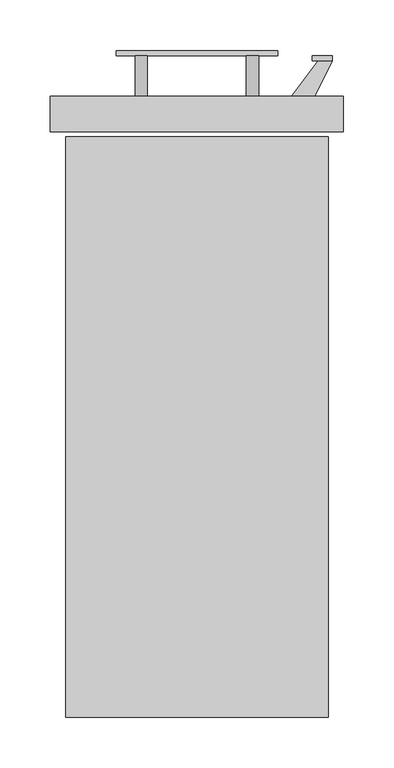
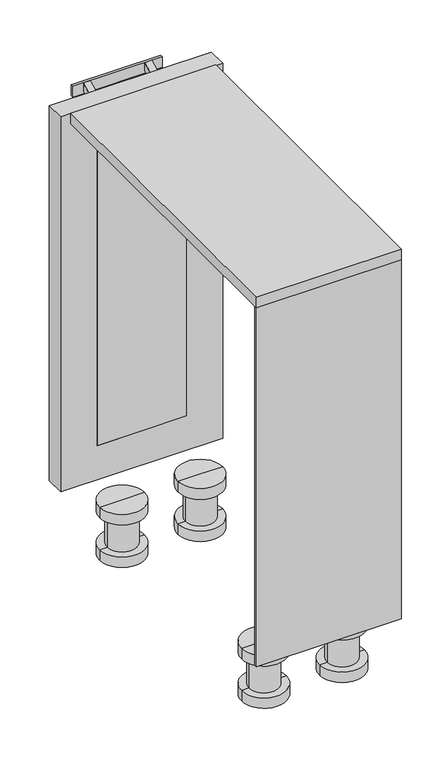
"""IFC4 building model written with IfcOpenShell, lengths in millimetres: furniture geometry."""

import ifcopenshell
import ifcopenshell.guid

model = None  # the IFC model being written
_history = None  # IfcOwnerHistory: only IFC2X3 demands one
_inside = {}  # id of a spatial element -> (the spatial element, [elements in it])
_under = {}  # id of a project, library or spatial element -> (it, [spatial elements below it])
_declared = {}  # id of a project -> (the project, [libraries it declares])
_typed = {}  # id of a type object -> (the type object, [elements of that type])
_made_of = {}  # id of a material, layer set ... -> (it, [elements and type objects made of it])


def new_model(schema):
    """Start an empty IFC model of exactly this schema.

    Asked for "IFC4X3", IfcOpenShell would pick the latest addendum, in which some entities
    have other attributes; the version numbers below select the first issue.
    IFC2X3 requires an IfcOwnerHistory on every rooted entity: one is made here for all.
    """
    global model, _history
    if schema == "IFC4X3":
        model = ifcopenshell.file(schema_version=(4, 3, 0, 0))
    else:
        model = ifcopenshell.file(schema=schema)
    _inside.clear()
    _under.clear()
    _declared.clear()
    _typed.clear()
    _made_of.clear()
    _history = None
    if model.schema == "IFC2X3":
        org = make("IfcOrganization", Name="unknown")
        user = make(
            "IfcPersonAndOrganization",
            ThePerson=make("IfcPerson", FamilyName="unknown"),
            TheOrganization=org,
        )
        app = make(
            "IfcApplication",
            ApplicationDeveloper=org,
            Version="unknown",
            ApplicationFullName="unknown",
            ApplicationIdentifier="unknown",
        )
        _history = make(
            "IfcOwnerHistory",
            OwningUser=user,
            OwningApplication=app,
            ChangeAction="ADDED",
            CreationDate=0,
        )
    return model


def make(cls, **values):
    """One entity of the class cls with the attributes given. An attribute that is None is left unset."""
    return model.create_entity(
        cls, **{name: value for name, value in values.items() if value is not None}
    )


def rooted(cls, **values):
    """An entity with a GlobalId (a new one), such as an element, a storey or a relation."""
    return make(cls, GlobalId=ifcopenshell.guid.new(), OwnerHistory=_history, **values)


def si_unit(unit_type, name, prefix=None):
    """IfcSIUnit, for example si_unit("LENGTHUNIT", "METRE", prefix="MILLI")."""
    return make("IfcSIUnit", UnitType=unit_type, Prefix=prefix, Name=name)


def assignment(units):
    """IfcUnitAssignment: the units of a project."""
    return None if units is None else make("IfcUnitAssignment", Units=units)


def point(xyz):
    """IfcCartesianPoint."""
    return None if xyz is None else make("IfcCartesianPoint", Coordinates=xyz)


def direction(xyz):
    """IfcDirection."""
    return None if xyz is None else make("IfcDirection", DirectionRatios=xyz)


def frame(location, z_axis=None, x_axis=None):
    """IfcAxis2Placement3D, a coordinate frame: its origin and axes. An axis left out is left unset."""
    return make(
        "IfcAxis2Placement3D",
        Location=point(location),
        Axis=direction(z_axis),
        RefDirection=direction(x_axis),
    )


def origin():
    """The frame at (0, 0, 0) with its axes left unset."""
    return frame((0.0, 0.0, 0.0))


def place(relative_to, where):
    """IfcLocalPlacement: puts the frame where relative to a parent placement (None: the world)."""
    return make(
        "IfcLocalPlacement", PlacementRelTo=relative_to, RelativePlacement=where
    )


def context(
    kind, dimensions, precision=None, world=None, true_north=None, identifier=None
):
    """IfcGeometricRepresentationContext, for example the 3D "Model" context."""
    return make(
        "IfcGeometricRepresentationContext",
        ContextIdentifier=identifier,
        ContextType=kind,
        CoordinateSpaceDimension=dimensions,
        Precision=precision,
        WorldCoordinateSystem=world,
        TrueNorth=true_north,
    )


def project(units=None, contexts=None):
    """IfcProject with its units and contexts."""
    return rooted(
        "IfcProject",
        Name="project",
        RepresentationContexts=contexts,
        UnitsInContext=assignment(units),
    )


def spatial(cls, under=None, at=None, **own):
    """A site, building, storey or space (cls), placed at a placement, below another one or the project."""
    s = rooted(cls, ObjectPlacement=at, **own)
    if under is not None:
        _under.setdefault(under.id(), (under, []))[1].append(s)
    return s


def polyline(points):
    """IfcPolyline through the points."""
    return make("IfcPolyline", Points=[point(p) for p in points])


def circle_curve(where, radius):
    """IfcCircle in the frame where."""
    return make("IfcCircle", Position=where, Radius=radius)


def outline(outer, holes=None, kind="AREA"):
    """IfcArbitraryClosedProfileDef: a profile drawn as a closed curve; with holes, ...WithVoids."""
    if holes is None:
        return make("IfcArbitraryClosedProfileDef", ProfileType=kind, OuterCurve=outer)
    return make(
        "IfcArbitraryProfileDefWithVoids",
        ProfileType=kind,
        OuterCurve=outer,
        InnerCurves=holes,
    )


def extrude(swept, where, along, depth):
    """IfcExtrudedAreaSolid: the profile swept, set in the frame where, extruded along a direction by depth."""
    return make(
        "IfcExtrudedAreaSolid",
        SweptArea=swept,
        Position=where,
        ExtrudedDirection=direction(along),
        Depth=depth,
    )


def faces_of(points, faces, orient=None, outer=None):
    """IfcFace entities. A face is a list of loops; a loop is a list of indices into points, from 0.

    orient and outer hold one flag for each loop. By default every Orientation is true, the
    first loop of a face is its IfcFaceOuterBound and the others are IfcFaceBound.
    """
    made = []
    for i, loops in enumerate(faces):
        bounds = []
        for j, loop in enumerate(loops):
            is_outer = j == 0 if outer is None else outer[i][j]
            bounds.append(
                make(
                    "IfcFaceOuterBound" if is_outer else "IfcFaceBound",
                    Bound=make("IfcPolyLoop", Polygon=[points[k] for k in loop]),
                    Orientation=True if orient is None else orient[i][j],
                )
            )
        made.append(make("IfcFace", Bounds=bounds))
    return made


def faceted_brep(points, faces, orient=None, outer=None, voids=None):
    """IfcFacetedBrep: a solid bounded by flat faces; with voids (closed shells), ...WithVoids."""
    shared = [point(p) for p in points]
    hull = make("IfcClosedShell", CfsFaces=faces_of(shared, faces, orient, outer))
    if voids is None:
        return make("IfcFacetedBrep", Outer=hull)
    return make(
        "IfcFacetedBrepWithVoids",
        Outer=hull,
        Voids=[
            make(cls, CfsFaces=faces_of(shared, fs, o, b)) for cls, fs, o, b in voids
        ],
    )


def shape(context_of_items, identifier, shape_type, items):
    """IfcShapeRepresentation: the items that make up one representation, for example the "Body"."""
    return make(
        "IfcShapeRepresentation",
        ContextOfItems=context_of_items,
        RepresentationIdentifier=identifier,
        RepresentationType=shape_type,
        Items=items,
    )


def source(mapping_origin, context_of_items, identifier, shape_type, items):
    """IfcRepresentationMap: a shape defined once, which mapped items show again and again."""
    return make(
        "IfcRepresentationMap",
        MappingOrigin=mapping_origin,
        MappedRepresentation=shape(context_of_items, identifier, shape_type, items),
    )


def transform(
    local_origin,
    x_axis=None,
    y_axis=None,
    z_axis=None,
    scale=None,
    scale2=None,
    scale3=None,
    uniform=True,
):
    """IfcCartesianTransformationOperator3D, or its non-uniform kind. x_axis, y_axis, z_axis: its Axis1, 2, 3."""
    if uniform:
        return make(
            "IfcCartesianTransformationOperator3D",
            Axis1=direction(x_axis),
            Axis2=direction(y_axis),
            LocalOrigin=point(local_origin),
            Scale=scale,
            Axis3=direction(z_axis),
        )
    return make(
        "IfcCartesianTransformationOperator3DnonUniform",
        Axis1=direction(x_axis),
        Axis2=direction(y_axis),
        LocalOrigin=point(local_origin),
        Scale=scale,
        Axis3=direction(z_axis),
        Scale2=scale2,
        Scale3=scale3,
    )


def mapped(mapping_source, mapping_target):
    """IfcMappedItem: shows the shape of a source again, moved by a transform."""
    return make(
        "IfcMappedItem", MappingSource=mapping_source, MappingTarget=mapping_target
    )


def made_of(thing, what):
    """Note that an element or type object is made of a material, layer set ...; save() writes the relation."""
    if what is not None:
        _made_of.setdefault(what.id(), (what, []))[1].append(thing)
    return thing


def element(
    cls,
    number,
    at=None,
    inside=None,
    cuts=None,
    type_object=None,
    material=None,
    context=None,
    identifier="Body",
    shape_type=None,
    held_by="IfcProductDefinitionShape",
    body=None,
    shapes=None,
    **own,
):
    """One element of the class cls, such as IfcWall. Its Tag is "e" and its number.

    at: its placement. inside: the storey or other place that contains it. cuts: it is an
    opening in that element (IfcRelVoidsElement). A single representation is given by context,
    identifier, shape_type and body (its items); several are given by shapes. held_by: the class
    of the entity that holds the representations. save() writes the other relations.
    """
    e = rooted(cls, Tag="e%d" % number, ObjectPlacement=at, **own)
    if body is not None:
        shapes = [shape(context, identifier, shape_type, body)]
    if shapes is not None:
        e.Representation = make(held_by, Representations=shapes)
    if inside is not None:
        _inside.setdefault(inside.id(), (inside, []))[1].append(e)
    if cuts is not None:
        rooted(
            "IfcRelVoidsElement", RelatingBuildingElement=cuts, RelatedOpeningElement=e
        )
    if type_object is not None:
        _typed.setdefault(type_object.id(), (type_object, []))[1].append(e)
    return made_of(e, material)


def aggregate(whole, parts):
    """IfcRelAggregates: a whole, such as a stair, and the parts it consists of."""
    return rooted("IfcRelAggregates", RelatingObject=whole, RelatedObjects=parts)


def save(model, path):
    """Write the relations noted so far, then the file.

    IfcRelAggregates (storeys below a building ...), IfcRelContainedInSpatialStructure (elements
    in a storey), IfcRelDefinesByType, IfcRelAssociatesMaterial and IfcRelDeclares: one each for
    every whole, place, type object, material and project.
    """
    for whole, parts in _under.values():
        aggregate(whole, parts)
    for where, things in _inside.values():
        rooted(
            "IfcRelContainedInSpatialStructure",
            RelatedElements=things,
            RelatingStructure=where,
        )
    for kind, things in _typed.values():
        rooted("IfcRelDefinesByType", RelatedObjects=things, RelatingType=kind)
    for what, things in _made_of.values():
        rooted("IfcRelAssociatesMaterial", RelatedObjects=things, RelatingMaterial=what)
    for by, libraries in _declared.values():
        rooted("IfcRelDeclares", RelatingContext=by, RelatedDefinitions=libraries)
    model.write(path)


def plane_surface(at):
    """IfcPlane: the flat surface through the origin of the frame at, square to its z axis."""
    return make("IfcPlane", Position=at)


def cylinder_surface(at, radius):
    """IfcCylindricalSurface: all points at the distance radius from the z axis of the frame at."""
    return make("IfcCylindricalSurface", Position=at, Radius=radius)


def advanced_brep(points, edges, surfaces, faces):
    """IfcAdvancedBrep: a solid bounded by faces that lie on surfaces and meet in shared edges.

    An edge is (start, end): straight between two places in points (the first is 0);
    or (start, end, curve); or (start, end, curve, False) where it runs against its curve.
    A face is (place in surfaces, loops), or (place, loops, False) where it looks against
    its surface's normal. A loop lists edges by number (the first is 1), with a minus sign
    where the edge is run from its end to its start. The first loop is the outer one.
    """
    corners = [point(p) for p in points]
    vertices = [make("IfcVertexPoint", VertexGeometry=c) for c in corners]
    made = []
    for start, end, *more in edges:
        made.append(
            make(
                "IfcEdgeCurve",
                EdgeStart=vertices[start],
                EdgeEnd=vertices[end],
                EdgeGeometry=more[0] if more else make("IfcPolyline", Points=[corners[start], corners[end]]),
                SameSense=more[1] if len(more) > 1 else True,
            )
        )
    hull = []
    for where, loops, *sense in faces:
        bounds = []
        for j, loop in enumerate(loops):
            ring = [make("IfcOrientedEdge", EdgeElement=made[abs(k) - 1], Orientation=k > 0) for k in loop]
            bounds.append(
                make(
                    "IfcFaceOuterBound" if j == 0 else "IfcFaceBound",
                    Bound=make("IfcEdgeLoop", EdgeList=ring),
                    Orientation=True,
                )
            )
        hull.append(make("IfcAdvancedFace", Bounds=bounds, FaceSurface=surfaces[where], SameSense=sense[0] if sense else True))
    return make("IfcAdvancedBrep", Outer=make("IfcClosedShell", CfsFaces=hull))


def furniture_0ff641ef(model_context):
    return source(origin(), model_context, "Body", "SolidModel", [
        extrude(outline(polyline([(240.0, 610.0), (270.0, 650.2555661), (284.1369396, 650.2555661), (264.1369396, 610.0), (240.0, 610.0)])), frame((0.0, 0.0, 299.0), z_axis=(0.0, 0.0, 1.0), x_axis=(1.0, 0.0, 0.0)), (0.0, 0.0, 1.0), 12.0),
        extrude(outline(polyline([(240.0, 610.0), (270.0, 650.2555661), (284.1369396, 650.2555661), (264.1369396, 610.0), (240.0, 610.0)])), frame((0.0, 0.0, 409.0), z_axis=(0.0, 0.0, 1.0), x_axis=(1.0, 0.0, 0.0)), (0.0, 0.0, 1.0), 12.0),
        extrude(outline(polyline([(284.1369396, 655.2555661), (284.1369396, 650.2555661), (264.1369396, 650.2555661), (264.1369396, 655.2555661), (284.1369396, 655.2555661)])), frame((0.0, 0.0, 280.0), z_axis=(0.0, 0.0, 1.0), x_axis=(1.0, 0.0, 0.0)), (0.0, 0.0, 1.0), 160.0),
        advanced_brep(
        [(120.0, 520.0, 0.0), (40.0, 520.0, 0.0), (80.0, 520.0, 0.0), (120.0, 520.0, -20.0), (40.0, 520.0, -20.0), (106.6666667, 520.0, -20.0), (53.3333333, 520.0, -20.0), (106.6666667, 520.0, -80.0), (53.3333333, 520.0, -80.0), (120.0, 520.0, -80.0), (40.0, 520.0, -80.0), (120.0, 520.0, -100.0), (40.0, 520.0, -100.0), (80.0, 520.0, -100.0)],
        [
            (0, 1, circle_curve(frame((80.0, 520.0, 0.0), z_axis=(0.0, 0.0, 1.0), x_axis=(-1.0, 0.0, 0.0)), 40.0)),
            (1, 2),
            (2, 0),
            (1, 0, circle_curve(frame((80.0, 520.0, 0.0), z_axis=(0.0, 0.0, 1.0), x_axis=(-1.0, 0.0, 0.0)), 40.0)),
            (3, 4, circle_curve(frame((80.0, 520.0, -20.0), z_axis=(0.0, 0.0, 1.0), x_axis=(-1.0, 0.0, 0.0)), 40.0)),
            (4, 1),
            (0, 3),
            (4, 3, circle_curve(frame((80.0, 520.0, -20.0), z_axis=(0.0, 0.0, 1.0), x_axis=(-1.0, 0.0, 0.0)), 40.0)),
            (5, 6, circle_curve(frame((80.0, 520.0, -20.0), z_axis=(0.0, 0.0, 1.0), x_axis=(-1.0, 0.0, 0.0)), 26.6666667)),
            (6, 4),
            (3, 5),
            (6, 5, circle_curve(frame((80.0, 520.0, -20.0), z_axis=(0.0, 0.0, 1.0), x_axis=(-1.0, 0.0, 0.0)), 26.6666667)),
            (7, 8, circle_curve(frame((80.0, 520.0, -80.0), z_axis=(0.0, 0.0, 1.0), x_axis=(-1.0, 0.0, 0.0)), 26.6666667)),
            (8, 6),
            (5, 7),
            (8, 7, circle_curve(frame((80.0, 520.0, -80.0), z_axis=(0.0, 0.0, 1.0), x_axis=(-1.0, 0.0, 0.0)), 26.6666667)),
            (9, 10, circle_curve(frame((80.0, 520.0, -80.0), z_axis=(0.0, 0.0, 1.0), x_axis=(-1.0, 0.0, 0.0)), 40.0)),
            (10, 8),
            (7, 9),
            (10, 9, circle_curve(frame((80.0, 520.0, -80.0), z_axis=(0.0, 0.0, 1.0), x_axis=(-1.0, 0.0, 0.0)), 40.0)),
            (11, 12, circle_curve(frame((80.0, 520.0, -100.0), z_axis=(0.0, 0.0, 1.0), x_axis=(-1.0, 0.0, 0.0)), 40.0)),
            (12, 10),
            (9, 11),
            (12, 11, circle_curve(frame((80.0, 520.0, -100.0), z_axis=(0.0, 0.0, 1.0), x_axis=(-1.0, 0.0, 0.0)), 40.0)),
            (13, 12),
            (11, 13),
        ],
        [
            plane_surface(frame((80.0, 520.0, 0.0), z_axis=(0.0, 0.0, 1.0), x_axis=(-1.0, 0.0, 0.0))),
            cylinder_surface(frame((80.0, 520.0, -135.0), z_axis=(0.0, 0.0, -1.0), x_axis=(-1.0, 0.0, 0.0)), 40.0),
            plane_surface(frame((80.0, 520.0, -20.0), z_axis=(0.0, 0.0, -1.0), x_axis=(-1.0, 0.0, 0.0))),
            cylinder_surface(frame((80.0, 520.0, -135.0), z_axis=(0.0, 0.0, -1.0), x_axis=(-1.0, 0.0, 0.0)), 26.6666667),
            plane_surface(frame((80.0, 520.0, -80.0), z_axis=(0.0, 0.0, 1.0), x_axis=(-1.0, 0.0, 0.0))),
            plane_surface(frame((80.0, 520.0, -100.0), z_axis=(0.0, 0.0, -1.0), x_axis=(-1.0, 0.0, 0.0))),
        ],
        [
            (0, [[1, 2, 3]]),
            (0, [[4, -3, -2]]),
            (1, [[5, 6, -1, 7]]),
            (1, [[8, -7, -4, -6]]),
            (2, [[9, 10, -5, 11]]),
            (2, [[12, -11, -8, -10]]),
            (3, [[13, 14, -9, 15]]),
            (3, [[16, -15, -12, -14]]),
            (4, [[17, 18, -13, 19]]),
            (4, [[20, -19, -16, -18]]),
            (1, [[21, 22, -17, 23]]),
            (1, [[24, -23, -20, -22]]),
            (5, [[25, -21, 26]]),
            (5, [[-26, -24, -25]]),
        ],
    ),
        advanced_brep(
        [(260.0, 520.0, 0.0), (180.0, 520.0, 0.0), (220.0, 520.0, 0.0), (260.0, 520.0, -20.0), (180.0, 520.0, -20.0), (246.6666667, 520.0, -20.0), (193.3333333, 520.0, -20.0), (246.6666667, 520.0, -80.0), (193.3333333, 520.0, -80.0), (260.0, 520.0, -80.0), (180.0, 520.0, -80.0), (260.0, 520.0, -100.0), (180.0, 520.0, -100.0), (220.0, 520.0, -100.0)],
        [
            (0, 1, circle_curve(frame((220.0, 520.0, 0.0), z_axis=(0.0, 0.0, 1.0), x_axis=(-1.0, 0.0, 0.0)), 40.0)),
            (1, 2),
            (2, 0),
            (1, 0, circle_curve(frame((220.0, 520.0, 0.0), z_axis=(0.0, 0.0, 1.0), x_axis=(-1.0, 0.0, 0.0)), 40.0)),
            (3, 4, circle_curve(frame((220.0, 520.0, -20.0), z_axis=(0.0, 0.0, 1.0), x_axis=(-1.0, 0.0, 0.0)), 40.0)),
            (4, 1),
            (0, 3),
            (4, 3, circle_curve(frame((220.0, 520.0, -20.0), z_axis=(0.0, 0.0, 1.0), x_axis=(-1.0, 0.0, 0.0)), 40.0)),
            (5, 6, circle_curve(frame((220.0, 520.0, -20.0), z_axis=(0.0, 0.0, 1.0), x_axis=(-1.0, 0.0, 0.0)), 26.6666667)),
            (6, 4),
            (3, 5),
            (6, 5, circle_curve(frame((220.0, 520.0, -20.0), z_axis=(0.0, 0.0, 1.0), x_axis=(-1.0, 0.0, 0.0)), 26.6666667)),
            (7, 8, circle_curve(frame((220.0, 520.0, -80.0), z_axis=(0.0, 0.0, 1.0), x_axis=(-1.0, 0.0, 0.0)), 26.6666667)),
            (8, 6),
            (5, 7),
            (8, 7, circle_curve(frame((220.0, 520.0, -80.0), z_axis=(0.0, 0.0, 1.0), x_axis=(-1.0, 0.0, 0.0)), 26.6666667)),
            (9, 10, circle_curve(frame((220.0, 520.0, -80.0), z_axis=(0.0, 0.0, 1.0), x_axis=(-1.0, 0.0, 0.0)), 40.0)),
            (10, 8),
            (7, 9),
            (10, 9, circle_curve(frame((220.0, 520.0, -80.0), z_axis=(0.0, 0.0, 1.0), x_axis=(-1.0, 0.0, 0.0)), 40.0)),
            (11, 12, circle_curve(frame((220.0, 520.0, -100.0), z_axis=(0.0, 0.0, 1.0), x_axis=(-1.0, 0.0, 0.0)), 40.0)),
            (12, 10),
            (9, 11),
            (12, 11, circle_curve(frame((220.0, 520.0, -100.0), z_axis=(0.0, 0.0, 1.0), x_axis=(-1.0, 0.0, 0.0)), 40.0)),
            (13, 12),
            (11, 13),
        ],
        [
            plane_surface(frame((220.0, 520.0, 0.0), z_axis=(0.0, 0.0, 1.0), x_axis=(-1.0, 0.0, 0.0))),
            cylinder_surface(frame((220.0, 520.0, -135.0), z_axis=(0.0, 0.0, -1.0), x_axis=(-1.0, 0.0, 0.0)), 40.0),
            plane_surface(frame((220.0, 520.0, -20.0), z_axis=(0.0, 0.0, -1.0), x_axis=(-1.0, 0.0, 0.0))),
            cylinder_surface(frame((220.0, 520.0, -135.0), z_axis=(0.0, 0.0, -1.0), x_axis=(-1.0, 0.0, 0.0)), 26.6666667),
            plane_surface(frame((220.0, 520.0, -80.0), z_axis=(0.0, 0.0, 1.0), x_axis=(-1.0, 0.0, 0.0))),
            plane_surface(frame((220.0, 520.0, -100.0), z_axis=(0.0, 0.0, -1.0), x_axis=(-1.0, 0.0, 0.0))),
        ],
        [
            (0, [[1, 2, 3]]),
            (0, [[4, -3, -2]]),
            (1, [[5, 6, -1, 7]]),
            (1, [[8, -7, -4, -6]]),
            (2, [[9, 10, -5, 11]]),
            (2, [[12, -11, -8, -10]]),
            (3, [[13, 14, -9, 15]]),
            (3, [[16, -15, -12, -14]]),
            (4, [[17, 18, -13, 19]]),
            (4, [[20, -19, -16, -18]]),
            (1, [[21, 22, -17, 23]]),
            (1, [[24, -23, -20, -22]]),
            (5, [[25, -21, 26]]),
            (5, [[-26, -24, -25]]),
        ],
    ),
        advanced_brep(
        [(120.0, 80.0, 0.0), (40.0, 80.0, 0.0), (80.0, 80.0, 0.0), (120.0, 80.0, -20.0), (40.0, 80.0, -20.0), (106.6666667, 80.0, -20.0), (53.3333333, 80.0, -20.0), (106.6666667, 80.0, -80.0), (53.3333333, 80.0, -80.0), (120.0, 80.0, -80.0), (40.0, 80.0, -80.0), (120.0, 80.0, -100.0), (40.0, 80.0, -100.0), (80.0, 80.0, -100.0)],
        [
            (0, 1, circle_curve(frame((80.0, 80.0, 0.0), z_axis=(0.0, 0.0, 1.0), x_axis=(-1.0, 0.0, 0.0)), 40.0)),
            (1, 2),
            (2, 0),
            (1, 0, circle_curve(frame((80.0, 80.0, 0.0), z_axis=(0.0, 0.0, 1.0), x_axis=(-1.0, 0.0, 0.0)), 40.0)),
            (3, 4, circle_curve(frame((80.0, 80.0, -20.0), z_axis=(0.0, 0.0, 1.0), x_axis=(-1.0, 0.0, 0.0)), 40.0)),
            (4, 1),
            (0, 3),
            (4, 3, circle_curve(frame((80.0, 80.0, -20.0), z_axis=(0.0, 0.0, 1.0), x_axis=(-1.0, 0.0, 0.0)), 40.0)),
            (5, 6, circle_curve(frame((80.0, 80.0, -20.0), z_axis=(0.0, 0.0, 1.0), x_axis=(-1.0, 0.0, 0.0)), 26.6666667)),
            (6, 4),
            (3, 5),
            (6, 5, circle_curve(frame((80.0, 80.0, -20.0), z_axis=(0.0, 0.0, 1.0), x_axis=(-1.0, 0.0, 0.0)), 26.6666667)),
            (7, 8, circle_curve(frame((80.0, 80.0, -80.0), z_axis=(0.0, 0.0, 1.0), x_axis=(-1.0, 0.0, 0.0)), 26.6666667)),
            (8, 6),
            (5, 7),
            (8, 7, circle_curve(frame((80.0, 80.0, -80.0), z_axis=(0.0, 0.0, 1.0), x_axis=(-1.0, 0.0, 0.0)), 26.6666667)),
            (9, 10, circle_curve(frame((80.0, 80.0, -80.0), z_axis=(0.0, 0.0, 1.0), x_axis=(-1.0, 0.0, 0.0)), 40.0)),
            (10, 8),
            (7, 9),
            (10, 9, circle_curve(frame((80.0, 80.0, -80.0), z_axis=(0.0, 0.0, 1.0), x_axis=(-1.0, 0.0, 0.0)), 40.0)),
            (11, 12, circle_curve(frame((80.0, 80.0, -100.0), z_axis=(0.0, 0.0, 1.0), x_axis=(-1.0, 0.0, 0.0)), 40.0)),
            (12, 10),
            (9, 11),
            (12, 11, circle_curve(frame((80.0, 80.0, -100.0), z_axis=(0.0, 0.0, 1.0), x_axis=(-1.0, 0.0, 0.0)), 40.0)),
            (13, 12),
            (11, 13),
        ],
        [
            plane_surface(frame((80.0, 80.0, 0.0), z_axis=(0.0, 0.0, 1.0), x_axis=(-1.0, 0.0, 0.0))),
            cylinder_surface(frame((80.0, 80.0, -135.0), z_axis=(0.0, 0.0, -1.0), x_axis=(-1.0, 0.0, 0.0)), 40.0),
            plane_surface(frame((80.0, 80.0, -20.0), z_axis=(0.0, 0.0, -1.0), x_axis=(-1.0, 0.0, 0.0))),
            cylinder_surface(frame((80.0, 80.0, -135.0), z_axis=(0.0, 0.0, -1.0), x_axis=(-1.0, 0.0, 0.0)), 26.6666667),
            plane_surface(frame((80.0, 80.0, -80.0), z_axis=(0.0, 0.0, 1.0), x_axis=(-1.0, 0.0, 0.0))),
            plane_surface(frame((80.0, 80.0, -100.0), z_axis=(0.0, 0.0, -1.0), x_axis=(-1.0, 0.0, 0.0))),
        ],
        [
            (0, [[1, 2, 3]]),
            (0, [[4, -3, -2]]),
            (1, [[5, 6, -1, 7]]),
            (1, [[8, -7, -4, -6]]),
            (2, [[9, 10, -5, 11]]),
            (2, [[12, -11, -8, -10]]),
            (3, [[13, 14, -9, 15]]),
            (3, [[16, -15, -12, -14]]),
            (4, [[17, 18, -13, 19]]),
            (4, [[20, -19, -16, -18]]),
            (1, [[21, 22, -17, 23]]),
            (1, [[24, -23, -20, -22]]),
            (5, [[25, -21, 26]]),
            (5, [[-26, -24, -25]]),
        ],
    ),
        advanced_brep(
        [(260.0, 80.0, 0.0), (180.0, 80.0, 0.0), (220.0, 80.0, 0.0), (260.0, 80.0, -20.0), (180.0, 80.0, -20.0), (246.6666667, 80.0, -20.0), (193.3333333, 80.0, -20.0), (246.6666667, 80.0, -80.0), (193.3333333, 80.0, -80.0), (260.0, 80.0, -80.0), (180.0, 80.0, -80.0), (260.0, 80.0, -100.0), (180.0, 80.0, -100.0), (220.0, 80.0, -100.0)],
        [
            (0, 1, circle_curve(frame((220.0, 80.0, 0.0), z_axis=(0.0, 0.0, 1.0), x_axis=(-1.0, 0.0, 0.0)), 40.0)),
            (1, 2),
            (2, 0),
            (1, 0, circle_curve(frame((220.0, 80.0, 0.0), z_axis=(0.0, 0.0, 1.0), x_axis=(-1.0, 0.0, 0.0)), 40.0)),
            (3, 4, circle_curve(frame((220.0, 80.0, -20.0), z_axis=(0.0, 0.0, 1.0), x_axis=(-1.0, 0.0, 0.0)), 40.0)),
            (4, 1),
            (0, 3),
            (4, 3, circle_curve(frame((220.0, 80.0, -20.0), z_axis=(0.0, 0.0, 1.0), x_axis=(-1.0, 0.0, 0.0)), 40.0)),
            (5, 6, circle_curve(frame((220.0, 80.0, -20.0), z_axis=(0.0, 0.0, 1.0), x_axis=(-1.0, 0.0, 0.0)), 26.6666667)),
            (6, 4),
            (3, 5),
            (6, 5, circle_curve(frame((220.0, 80.0, -20.0), z_axis=(0.0, 0.0, 1.0), x_axis=(-1.0, 0.0, 0.0)), 26.6666667)),
            (7, 8, circle_curve(frame((220.0, 80.0, -80.0), z_axis=(0.0, 0.0, 1.0), x_axis=(-1.0, 0.0, 0.0)), 26.6666667)),
            (8, 6),
            (5, 7),
            (8, 7, circle_curve(frame((220.0, 80.0, -80.0), z_axis=(0.0, 0.0, 1.0), x_axis=(-1.0, 0.0, 0.0)), 26.6666667)),
            (9, 10, circle_curve(frame((220.0, 80.0, -80.0), z_axis=(0.0, 0.0, 1.0), x_axis=(-1.0, 0.0, 0.0)), 40.0)),
            (10, 8),
            (7, 9),
            (10, 9, circle_curve(frame((220.0, 80.0, -80.0), z_axis=(0.0, 0.0, 1.0), x_axis=(-1.0, 0.0, 0.0)), 40.0)),
            (11, 12, circle_curve(frame((220.0, 80.0, -100.0), z_axis=(0.0, 0.0, 1.0), x_axis=(-1.0, 0.0, 0.0)), 40.0)),
            (12, 10),
            (9, 11),
            (12, 11, circle_curve(frame((220.0, 80.0, -100.0), z_axis=(0.0, 0.0, 1.0), x_axis=(-1.0, 0.0, 0.0)), 40.0)),
            (13, 12),
            (11, 13),
        ],
        [
            plane_surface(frame((220.0, 80.0, 0.0), z_axis=(0.0, 0.0, 1.0), x_axis=(-1.0, 0.0, 0.0))),
            cylinder_surface(frame((220.0, 80.0, -135.0), z_axis=(0.0, 0.0, -1.0), x_axis=(-1.0, 0.0, 0.0)), 40.0),
            plane_surface(frame((220.0, 80.0, -20.0), z_axis=(0.0, 0.0, -1.0), x_axis=(-1.0, 0.0, 0.0))),
            cylinder_surface(frame((220.0, 80.0, -135.0), z_axis=(0.0, 0.0, -1.0), x_axis=(-1.0, 0.0, 0.0)), 26.6666667),
            plane_surface(frame((220.0, 80.0, -80.0), z_axis=(0.0, 0.0, 1.0), x_axis=(-1.0, 0.0, 0.0))),
            plane_surface(frame((220.0, 80.0, -100.0), z_axis=(0.0, 0.0, -1.0), x_axis=(-1.0, 0.0, 0.0))),
        ],
        [
            (0, [[1, 2, 3]]),
            (0, [[4, -3, -2]]),
            (1, [[5, 6, -1, 7]]),
            (1, [[8, -7, -4, -6]]),
            (2, [[9, 10, -5, 11]]),
            (2, [[12, -11, -8, -10]]),
            (3, [[13, 14, -9, 15]]),
            (3, [[16, -15, -12, -14]]),
            (4, [[17, 18, -13, 19]]),
            (4, [[20, -19, -16, -18]]),
            (1, [[21, 22, -17, 23]]),
            (1, [[24, -23, -20, -22]]),
            (5, [[25, -21, 26]]),
            (5, [[-26, -24, -25]]),
        ],
    ),
        extrude(outline(polyline([(615.0, 660.0), (615.0, 684.1369396), (655.2555661, 704.1369396), (655.2555661, 690.0), (615.0, 660.0)])), frame((89.0, 0.0, 0.0), z_axis=(1.0, 0.0, 0.0), x_axis=(0.0, 1.0, 0.0)), (0.0, 0.0, 1.0), 12.0),
        extrude(outline(polyline([(615.0, 660.0), (615.0, 684.1369396), (655.2555661, 704.1369396), (655.2555661, 690.0), (615.0, 660.0)])), frame((199.0, 0.0, 0.0), z_axis=(1.0, 0.0, 0.0), x_axis=(0.0, 1.0, 0.0)), (0.0, 0.0, 1.0), 12.0),
        extrude(outline(polyline([(70.0, 660.2555661), (230.0, 660.2555661), (230.0, 655.2555661), (70.0, 655.2555661), (70.0, 660.2555661)])), frame((0.0, 0.0, 684.1369396), z_axis=(0.0, 0.0, 1.0), x_axis=(1.0, 0.0, 0.0)), (0.0, 0.0, 1.0), 20.0),
        extrude(outline(polyline([(280.0, 0.0), (20.0, 0.0), (20.0, 575.0), (280.0, 575.0), (280.0, 0.0)])), frame((0.0, 0.0, 700.0), z_axis=(0.0, 0.0, 1.0), x_axis=(1.0, 0.0, 0.0)), (0.0, 0.0, 1.0), 20.0),
        extrude(outline(polyline([(280.0, 0.0), (20.0, 0.0), (20.0, 5.0), (280.0, 5.0), (280.0, 0.0)])), frame((0.0, 0.0, 20.0), z_axis=(0.0, 0.0, 1.0), x_axis=(1.0, 0.0, 0.0)), (0.0, 0.0, 1.0), 680.0),
        extrude(outline(polyline([(230.0, 580.0), (70.0, 580.0), (70.0, 600.0), (230.0, 600.0), (230.0, 580.0)])), frame((0.0, 0.0, 70.0), z_axis=(0.0, 0.0, 1.0), x_axis=(1.0, 0.0, 0.0)), (0.0, 0.0, 1.0), 580.0),
        faceted_brep([(240.0, 605.0, 660.0), (240.0, 610.0, 660.0), (240.0, 610.0, 60.0), (240.0, 605.0, 60.0), (267.5, 610.0, 687.5), (267.5, 615.0, 687.5), (267.5, 615.0, 32.5), (267.5, 610.0, 32.5), (295.0, 615.0, 715.0), (295.0, 580.0, 715.0), (295.0, 580.0, 5.0), (295.0, 615.0, 5.0), (230.0, 580.0, 650.0), (230.0, 605.0, 650.0), (230.0, 605.0, 70.0), (230.0, 580.0, 70.0), (60.0, 610.0, 60.0), (60.0, 605.0, 60.0), (32.5, 615.0, 32.5), (32.5, 610.0, 32.5), (5.0, 580.0, 5.0), (5.0, 615.0, 5.0), (70.0, 605.0, 70.0), (70.0, 580.0, 70.0), (60.0, 610.0, 660.0), (60.0, 605.0, 660.0), (32.5, 615.0, 687.5), (32.5, 610.0, 687.5), (5.0, 580.0, 715.0), (5.0, 615.0, 715.0), (70.0, 605.0, 650.0), (70.0, 580.0, 650.0)], [[[0, 1, 2, 3]], [[4, 5, 6, 7]], [[8, 9, 10, 11]], [[12, 13, 14, 15]], [[3, 2, 16, 17]], [[7, 6, 18, 19]], [[11, 10, 20, 21]], [[15, 14, 22, 23]], [[17, 16, 24, 25]], [[19, 18, 26, 27]], [[21, 20, 28, 29]], [[23, 22, 30, 31]], [[25, 24, 1, 0]], [[7, 19, 27, 4], [1, 24, 16, 2]], [[27, 26, 5, 4]], [[11, 21, 29, 8], [5, 26, 18, 6]], [[29, 28, 9, 8]], [[9, 28, 20, 10], [15, 23, 31, 12]], [[31, 30, 13, 12]], [[3, 17, 25, 0], [13, 30, 22, 14]]]),
    ])


if __name__ == "__main__":
    model = new_model("IFC4")
    model_context = context("Model", 3, world=origin())
    ifc_project = project(units=[si_unit("LENGTHUNIT", "METRE", prefix="MILLI")], contexts=[model_context])
    site = spatial("IfcSite", under=ifc_project)
    building = spatial("IfcBuilding", under=site)
    placement = place(None, origin())
    furniture_shape = furniture_0ff641ef(model_context)
    element("IfcFurniture", 1, at=placement, inside=building, context=model_context, shape_type="MappedRepresentation", body=[
        mapped(furniture_shape, transform((0.0, 0.0, 0.0), x_axis=(1.0, 0.0, 0.0), y_axis=(0.0, 1.0, 0.0), z_axis=(0.0, 0.0, 1.0))),
    ])
    save(model, "model.ifc")
